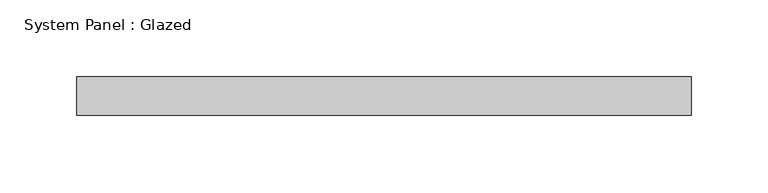
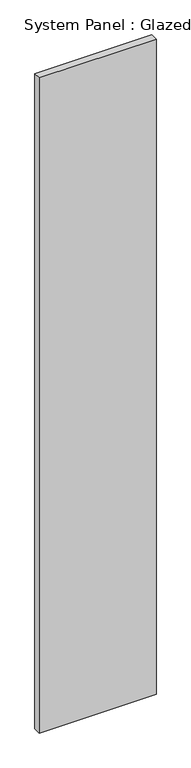
"""IFC4 building model written with IfcOpenShell, lengths in millimetres: plate geometry, System Panel : Glazed."""

import ifcopenshell
import ifcopenshell.guid

model = None  # the IFC model being written
_history = None  # IfcOwnerHistory: only IFC2X3 demands one
_inside = {}  # id of a spatial element -> (the spatial element, [elements in it])
_under = {}  # id of a project, library or spatial element -> (it, [spatial elements below it])
_declared = {}  # id of a project -> (the project, [libraries it declares])
_typed = {}  # id of a type object -> (the type object, [elements of that type])
_made_of = {}  # id of a material, layer set ... -> (it, [elements and type objects made of it])


def new_model(schema):
    """Start an empty IFC model of exactly this schema.

    Asked for "IFC4X3", IfcOpenShell would pick the latest addendum, in which some entities
    have other attributes; the version numbers below select the first issue.
    IFC2X3 requires an IfcOwnerHistory on every rooted entity: one is made here for all.
    """
    global model, _history
    if schema == "IFC4X3":
        model = ifcopenshell.file(schema_version=(4, 3, 0, 0))
    else:
        model = ifcopenshell.file(schema=schema)
    _inside.clear()
    _under.clear()
    _declared.clear()
    _typed.clear()
    _made_of.clear()
    _history = None
    if model.schema == "IFC2X3":
        org = make("IfcOrganization", Name="unknown")
        user = make(
            "IfcPersonAndOrganization",
            ThePerson=make("IfcPerson", FamilyName="unknown"),
            TheOrganization=org,
        )
        app = make(
            "IfcApplication",
            ApplicationDeveloper=org,
            Version="unknown",
            ApplicationFullName="unknown",
            ApplicationIdentifier="unknown",
        )
        _history = make(
            "IfcOwnerHistory",
            OwningUser=user,
            OwningApplication=app,
            ChangeAction="ADDED",
            CreationDate=0,
        )
    return model


def make(cls, **values):
    """One entity of the class cls with the attributes given. An attribute that is None is left unset."""
    return model.create_entity(
        cls, **{name: value for name, value in values.items() if value is not None}
    )


def rooted(cls, **values):
    """An entity with a GlobalId (a new one), such as an element, a storey or a relation."""
    return make(cls, GlobalId=ifcopenshell.guid.new(), OwnerHistory=_history, **values)


def si_unit(unit_type, name, prefix=None):
    """IfcSIUnit, for example si_unit("LENGTHUNIT", "METRE", prefix="MILLI")."""
    return make("IfcSIUnit", UnitType=unit_type, Prefix=prefix, Name=name)


def assignment(units):
    """IfcUnitAssignment: the units of a project."""
    return None if units is None else make("IfcUnitAssignment", Units=units)


def point(xyz):
    """IfcCartesianPoint."""
    return None if xyz is None else make("IfcCartesianPoint", Coordinates=xyz)


def direction(xyz):
    """IfcDirection."""
    return None if xyz is None else make("IfcDirection", DirectionRatios=xyz)


def frame(location, z_axis=None, x_axis=None):
    """IfcAxis2Placement3D, a coordinate frame: its origin and axes. An axis left out is left unset."""
    return make(
        "IfcAxis2Placement3D",
        Location=point(location),
        Axis=direction(z_axis),
        RefDirection=direction(x_axis),
    )


def origin():
    """The frame at (0, 0, 0) with its axes left unset."""
    return frame((0.0, 0.0, 0.0))


def origin_with_axes():
    """The frame at (0, 0, 0) with the z axis (0, 0, 1) and the x axis (1, 0, 0) written out."""
    return frame((0.0, 0.0, 0.0), z_axis=(0.0, 0.0, 1.0), x_axis=(1.0, 0.0, 0.0))


def place(relative_to, where):
    """IfcLocalPlacement: puts the frame where relative to a parent placement (None: the world)."""
    return make(
        "IfcLocalPlacement", PlacementRelTo=relative_to, RelativePlacement=where
    )


def context(
    kind, dimensions, precision=None, world=None, true_north=None, identifier=None
):
    """IfcGeometricRepresentationContext, for example the 3D "Model" context."""
    return make(
        "IfcGeometricRepresentationContext",
        ContextIdentifier=identifier,
        ContextType=kind,
        CoordinateSpaceDimension=dimensions,
        Precision=precision,
        WorldCoordinateSystem=world,
        TrueNorth=true_north,
    )


def project(units=None, contexts=None):
    """IfcProject with its units and contexts."""
    return rooted(
        "IfcProject",
        Name="project",
        RepresentationContexts=contexts,
        UnitsInContext=assignment(units),
    )


def spatial(cls, under=None, at=None, **own):
    """A site, building, storey or space (cls), placed at a placement, below another one or the project."""
    s = rooted(cls, ObjectPlacement=at, **own)
    if under is not None:
        _under.setdefault(under.id(), (under, []))[1].append(s)
    return s


def polyline(points):
    """IfcPolyline through the points."""
    return make("IfcPolyline", Points=[point(p) for p in points])


def outline(outer, holes=None, kind="AREA"):
    """IfcArbitraryClosedProfileDef: a profile drawn as a closed curve; with holes, ...WithVoids."""
    if holes is None:
        return make("IfcArbitraryClosedProfileDef", ProfileType=kind, OuterCurve=outer)
    return make(
        "IfcArbitraryProfileDefWithVoids",
        ProfileType=kind,
        OuterCurve=outer,
        InnerCurves=holes,
    )


def extrude(swept, where, along, depth):
    """IfcExtrudedAreaSolid: the profile swept, set in the frame where, extruded along a direction by depth."""
    return make(
        "IfcExtrudedAreaSolid",
        SweptArea=swept,
        Position=where,
        ExtrudedDirection=direction(along),
        Depth=depth,
    )


def shape(context_of_items, identifier, shape_type, items):
    """IfcShapeRepresentation: the items that make up one representation, for example the "Body"."""
    return make(
        "IfcShapeRepresentation",
        ContextOfItems=context_of_items,
        RepresentationIdentifier=identifier,
        RepresentationType=shape_type,
        Items=items,
    )


def source(mapping_origin, context_of_items, identifier, shape_type, items):
    """IfcRepresentationMap: a shape defined once, which mapped items show again and again."""
    return make(
        "IfcRepresentationMap",
        MappingOrigin=mapping_origin,
        MappedRepresentation=shape(context_of_items, identifier, shape_type, items),
    )


def transform(
    local_origin,
    x_axis=None,
    y_axis=None,
    z_axis=None,
    scale=None,
    scale2=None,
    scale3=None,
    uniform=True,
):
    """IfcCartesianTransformationOperator3D, or its non-uniform kind. x_axis, y_axis, z_axis: its Axis1, 2, 3."""
    if uniform:
        return make(
            "IfcCartesianTransformationOperator3D",
            Axis1=direction(x_axis),
            Axis2=direction(y_axis),
            LocalOrigin=point(local_origin),
            Scale=scale,
            Axis3=direction(z_axis),
        )
    return make(
        "IfcCartesianTransformationOperator3DnonUniform",
        Axis1=direction(x_axis),
        Axis2=direction(y_axis),
        LocalOrigin=point(local_origin),
        Scale=scale,
        Axis3=direction(z_axis),
        Scale2=scale2,
        Scale3=scale3,
    )


def mapped(mapping_source, mapping_target):
    """IfcMappedItem: shows the shape of a source again, moved by a transform."""
    return make(
        "IfcMappedItem", MappingSource=mapping_source, MappingTarget=mapping_target
    )


def made_of(thing, what):
    """Note that an element or type object is made of a material, layer set ...; save() writes the relation."""
    if what is not None:
        _made_of.setdefault(what.id(), (what, []))[1].append(thing)
    return thing


def element(
    cls,
    number,
    at=None,
    inside=None,
    cuts=None,
    type_object=None,
    material=None,
    context=None,
    identifier="Body",
    shape_type=None,
    held_by="IfcProductDefinitionShape",
    body=None,
    shapes=None,
    **own,
):
    """One element of the class cls, such as IfcWall. Its Tag is "e" and its number.

    at: its placement. inside: the storey or other place that contains it. cuts: it is an
    opening in that element (IfcRelVoidsElement). A single representation is given by context,
    identifier, shape_type and body (its items); several are given by shapes. held_by: the class
    of the entity that holds the representations. save() writes the other relations.
    """
    e = rooted(cls, Tag="e%d" % number, ObjectPlacement=at, **own)
    if body is not None:
        shapes = [shape(context, identifier, shape_type, body)]
    if shapes is not None:
        e.Representation = make(held_by, Representations=shapes)
    if inside is not None:
        _inside.setdefault(inside.id(), (inside, []))[1].append(e)
    if cuts is not None:
        rooted(
            "IfcRelVoidsElement", RelatingBuildingElement=cuts, RelatedOpeningElement=e
        )
    if type_object is not None:
        _typed.setdefault(type_object.id(), (type_object, []))[1].append(e)
    return made_of(e, material)


def aggregate(whole, parts):
    """IfcRelAggregates: a whole, such as a stair, and the parts it consists of."""
    return rooted("IfcRelAggregates", RelatingObject=whole, RelatedObjects=parts)


def save(model, path):
    """Write the relations noted so far, then the file.

    IfcRelAggregates (storeys below a building ...), IfcRelContainedInSpatialStructure (elements
    in a storey), IfcRelDefinesByType, IfcRelAssociatesMaterial and IfcRelDeclares: one each for
    every whole, place, type object, material and project.
    """
    for whole, parts in _under.values():
        aggregate(whole, parts)
    for where, things in _inside.values():
        rooted(
            "IfcRelContainedInSpatialStructure",
            RelatedElements=things,
            RelatingStructure=where,
        )
    for kind, things in _typed.values():
        rooted("IfcRelDefinesByType", RelatedObjects=things, RelatingType=kind)
    for what, things in _made_of.values():
        rooted("IfcRelAssociatesMaterial", RelatedObjects=things, RelatingMaterial=what)
    for by, libraries in _declared.values():
        rooted("IfcRelDeclares", RelatingContext=by, RelatedDefinitions=libraries)
    model.write(path)


def system_panel_glazed_33335e57(model_context):
    return source(origin(), model_context, "Body", "SweptSolid", [
        extrude(outline(polyline([(200.0, -37.5), (-200.0, -37.5), (-200.0, -12.5), (200.0, -12.5), (200.0, -37.5)])), origin_with_axes(), (0.0, 0.0, 1.0), 2370.0),
    ])


if __name__ == "__main__":
    model = new_model("IFC4")
    model_context = context("Model", 3, world=origin())
    ifc_project = project(units=[si_unit("LENGTHUNIT", "METRE", prefix="MILLI")], contexts=[model_context])
    site = spatial("IfcSite", under=ifc_project)
    building = spatial("IfcBuilding", under=site)
    placement = place(None, origin())
    system_panel_glazed_shape = system_panel_glazed_33335e57(model_context)
    element("IfcPlate", 1, ObjectType="System Panel : Glazed", at=placement, inside=building, context=model_context, shape_type="MappedRepresentation", body=[
        mapped(system_panel_glazed_shape, transform((0.0, 0.0, 0.0), x_axis=(1.0, 0.0, 0.0), y_axis=(0.0, 1.0, 0.0), z_axis=(0.0, 0.0, 1.0))),
    ])
    save(model, "model.ifc")
